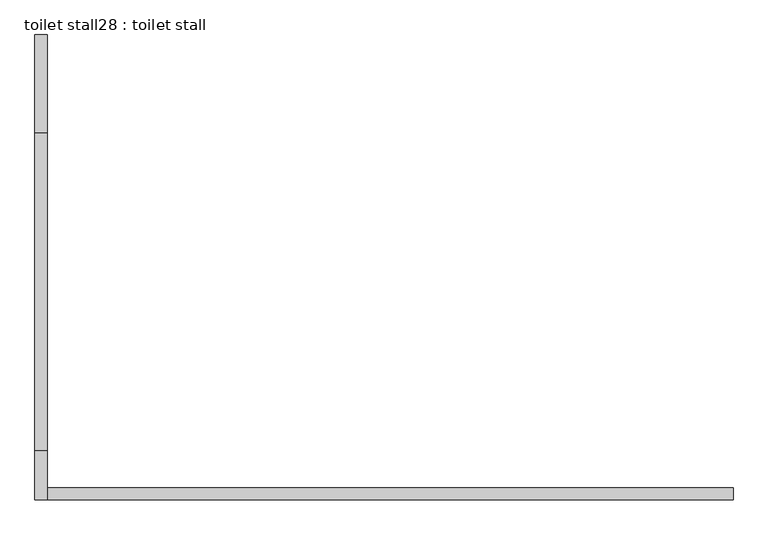
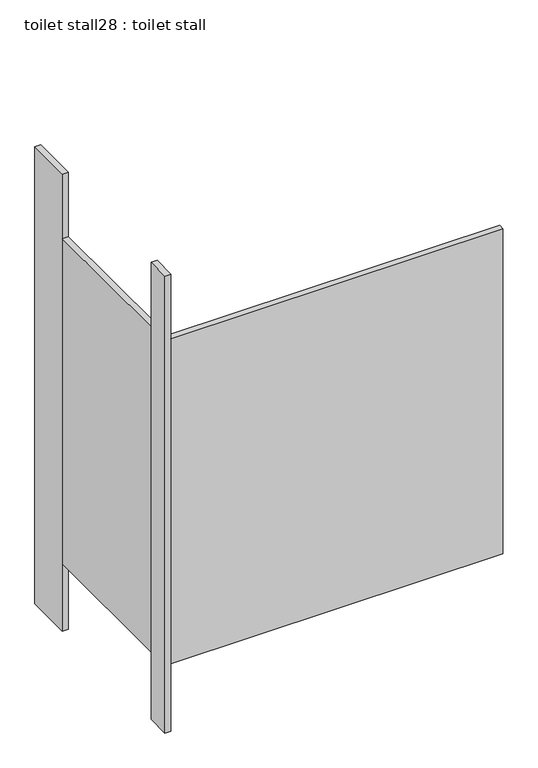
"""IFC4 building model written with IfcOpenShell, lengths in millimetres: proxy geometry, toilet stall28 : toilet stall."""

import ifcopenshell
import ifcopenshell.guid

model = None  # the IFC model being written
_history = None  # IfcOwnerHistory: only IFC2X3 demands one
_inside = {}  # id of a spatial element -> (the spatial element, [elements in it])
_under = {}  # id of a project, library or spatial element -> (it, [spatial elements below it])
_declared = {}  # id of a project -> (the project, [libraries it declares])
_typed = {}  # id of a type object -> (the type object, [elements of that type])
_made_of = {}  # id of a material, layer set ... -> (it, [elements and type objects made of it])


def new_model(schema):
    """Start an empty IFC model of exactly this schema.

    Asked for "IFC4X3", IfcOpenShell would pick the latest addendum, in which some entities
    have other attributes; the version numbers below select the first issue.
    IFC2X3 requires an IfcOwnerHistory on every rooted entity: one is made here for all.
    """
    global model, _history
    if schema == "IFC4X3":
        model = ifcopenshell.file(schema_version=(4, 3, 0, 0))
    else:
        model = ifcopenshell.file(schema=schema)
    _inside.clear()
    _under.clear()
    _declared.clear()
    _typed.clear()
    _made_of.clear()
    _history = None
    if model.schema == "IFC2X3":
        org = make("IfcOrganization", Name="unknown")
        user = make(
            "IfcPersonAndOrganization",
            ThePerson=make("IfcPerson", FamilyName="unknown"),
            TheOrganization=org,
        )
        app = make(
            "IfcApplication",
            ApplicationDeveloper=org,
            Version="unknown",
            ApplicationFullName="unknown",
            ApplicationIdentifier="unknown",
        )
        _history = make(
            "IfcOwnerHistory",
            OwningUser=user,
            OwningApplication=app,
            ChangeAction="ADDED",
            CreationDate=0,
        )
    return model


def make(cls, **values):
    """One entity of the class cls with the attributes given. An attribute that is None is left unset."""
    return model.create_entity(
        cls, **{name: value for name, value in values.items() if value is not None}
    )


def rooted(cls, **values):
    """An entity with a GlobalId (a new one), such as an element, a storey or a relation."""
    return make(cls, GlobalId=ifcopenshell.guid.new(), OwnerHistory=_history, **values)


def si_unit(unit_type, name, prefix=None):
    """IfcSIUnit, for example si_unit("LENGTHUNIT", "METRE", prefix="MILLI")."""
    return make("IfcSIUnit", UnitType=unit_type, Prefix=prefix, Name=name)


def assignment(units):
    """IfcUnitAssignment: the units of a project."""
    return None if units is None else make("IfcUnitAssignment", Units=units)


def point(xyz):
    """IfcCartesianPoint."""
    return None if xyz is None else make("IfcCartesianPoint", Coordinates=xyz)


def direction(xyz):
    """IfcDirection."""
    return None if xyz is None else make("IfcDirection", DirectionRatios=xyz)


def frame(location, z_axis=None, x_axis=None):
    """IfcAxis2Placement3D, a coordinate frame: its origin and axes. An axis left out is left unset."""
    return make(
        "IfcAxis2Placement3D",
        Location=point(location),
        Axis=direction(z_axis),
        RefDirection=direction(x_axis),
    )


def origin():
    """The frame at (0, 0, 0) with its axes left unset."""
    return frame((0.0, 0.0, 0.0))


def origin_with_axes():
    """The frame at (0, 0, 0) with the z axis (0, 0, 1) and the x axis (1, 0, 0) written out."""
    return frame((0.0, 0.0, 0.0), z_axis=(0.0, 0.0, 1.0), x_axis=(1.0, 0.0, 0.0))


def place(relative_to, where):
    """IfcLocalPlacement: puts the frame where relative to a parent placement (None: the world)."""
    return make(
        "IfcLocalPlacement", PlacementRelTo=relative_to, RelativePlacement=where
    )


def context(
    kind, dimensions, precision=None, world=None, true_north=None, identifier=None
):
    """IfcGeometricRepresentationContext, for example the 3D "Model" context."""
    return make(
        "IfcGeometricRepresentationContext",
        ContextIdentifier=identifier,
        ContextType=kind,
        CoordinateSpaceDimension=dimensions,
        Precision=precision,
        WorldCoordinateSystem=world,
        TrueNorth=true_north,
    )


def project(units=None, contexts=None):
    """IfcProject with its units and contexts."""
    return rooted(
        "IfcProject",
        Name="project",
        RepresentationContexts=contexts,
        UnitsInContext=assignment(units),
    )


def spatial(cls, under=None, at=None, **own):
    """A site, building, storey or space (cls), placed at a placement, below another one or the project."""
    s = rooted(cls, ObjectPlacement=at, **own)
    if under is not None:
        _under.setdefault(under.id(), (under, []))[1].append(s)
    return s


def polyline(points):
    """IfcPolyline through the points."""
    return make("IfcPolyline", Points=[point(p) for p in points])


def outline(outer, holes=None, kind="AREA"):
    """IfcArbitraryClosedProfileDef: a profile drawn as a closed curve; with holes, ...WithVoids."""
    if holes is None:
        return make("IfcArbitraryClosedProfileDef", ProfileType=kind, OuterCurve=outer)
    return make(
        "IfcArbitraryProfileDefWithVoids",
        ProfileType=kind,
        OuterCurve=outer,
        InnerCurves=holes,
    )


def extrude(swept, where, along, depth):
    """IfcExtrudedAreaSolid: the profile swept, set in the frame where, extruded along a direction by depth."""
    return make(
        "IfcExtrudedAreaSolid",
        SweptArea=swept,
        Position=where,
        ExtrudedDirection=direction(along),
        Depth=depth,
    )


def shape(context_of_items, identifier, shape_type, items):
    """IfcShapeRepresentation: the items that make up one representation, for example the "Body"."""
    return make(
        "IfcShapeRepresentation",
        ContextOfItems=context_of_items,
        RepresentationIdentifier=identifier,
        RepresentationType=shape_type,
        Items=items,
    )


def source(mapping_origin, context_of_items, identifier, shape_type, items):
    """IfcRepresentationMap: a shape defined once, which mapped items show again and again."""
    return make(
        "IfcRepresentationMap",
        MappingOrigin=mapping_origin,
        MappedRepresentation=shape(context_of_items, identifier, shape_type, items),
    )


def transform(
    local_origin,
    x_axis=None,
    y_axis=None,
    z_axis=None,
    scale=None,
    scale2=None,
    scale3=None,
    uniform=True,
):
    """IfcCartesianTransformationOperator3D, or its non-uniform kind. x_axis, y_axis, z_axis: its Axis1, 2, 3."""
    if uniform:
        return make(
            "IfcCartesianTransformationOperator3D",
            Axis1=direction(x_axis),
            Axis2=direction(y_axis),
            LocalOrigin=point(local_origin),
            Scale=scale,
            Axis3=direction(z_axis),
        )
    return make(
        "IfcCartesianTransformationOperator3DnonUniform",
        Axis1=direction(x_axis),
        Axis2=direction(y_axis),
        LocalOrigin=point(local_origin),
        Scale=scale,
        Axis3=direction(z_axis),
        Scale2=scale2,
        Scale3=scale3,
    )


def mapped(mapping_source, mapping_target):
    """IfcMappedItem: shows the shape of a source again, moved by a transform."""
    return make(
        "IfcMappedItem", MappingSource=mapping_source, MappingTarget=mapping_target
    )


def made_of(thing, what):
    """Note that an element or type object is made of a material, layer set ...; save() writes the relation."""
    if what is not None:
        _made_of.setdefault(what.id(), (what, []))[1].append(thing)
    return thing


def element(
    cls,
    number,
    at=None,
    inside=None,
    cuts=None,
    type_object=None,
    material=None,
    context=None,
    identifier="Body",
    shape_type=None,
    held_by="IfcProductDefinitionShape",
    body=None,
    shapes=None,
    **own,
):
    """One element of the class cls, such as IfcWall. Its Tag is "e" and its number.

    at: its placement. inside: the storey or other place that contains it. cuts: it is an
    opening in that element (IfcRelVoidsElement). A single representation is given by context,
    identifier, shape_type and body (its items); several are given by shapes. held_by: the class
    of the entity that holds the representations. save() writes the other relations.
    """
    e = rooted(cls, Tag="e%d" % number, ObjectPlacement=at, **own)
    if body is not None:
        shapes = [shape(context, identifier, shape_type, body)]
    if shapes is not None:
        e.Representation = make(held_by, Representations=shapes)
    if inside is not None:
        _inside.setdefault(inside.id(), (inside, []))[1].append(e)
    if cuts is not None:
        rooted(
            "IfcRelVoidsElement", RelatingBuildingElement=cuts, RelatedOpeningElement=e
        )
    if type_object is not None:
        _typed.setdefault(type_object.id(), (type_object, []))[1].append(e)
    return made_of(e, material)


def aggregate(whole, parts):
    """IfcRelAggregates: a whole, such as a stair, and the parts it consists of."""
    return rooted("IfcRelAggregates", RelatingObject=whole, RelatedObjects=parts)


def save(model, path):
    """Write the relations noted so far, then the file.

    IfcRelAggregates (storeys below a building ...), IfcRelContainedInSpatialStructure (elements
    in a storey), IfcRelDefinesByType, IfcRelAssociatesMaterial and IfcRelDeclares: one each for
    every whole, place, type object, material and project.
    """
    for whole, parts in _under.values():
        aggregate(whole, parts)
    for where, things in _inside.values():
        rooted(
            "IfcRelContainedInSpatialStructure",
            RelatedElements=things,
            RelatingStructure=where,
        )
    for kind, things in _typed.values():
        rooted("IfcRelDefinesByType", RelatedObjects=things, RelatingType=kind)
    for what, things in _made_of.values():
        rooted("IfcRelAssociatesMaterial", RelatedObjects=things, RelatingMaterial=what)
    for by, libraries in _declared.values():
        rooted("IfcRelDeclares", RelatingContext=by, RelatedDefinitions=libraries)
    model.write(path)


def toilet_stall28_toilet_stall_abdaf319(model_context):
    return source(origin(), model_context, "Body", "SweptSolid", [
        extrude(outline(polyline([(454658.2004676, -350525.5705223), (454632.8004676, -350525.5705223), (454632.8004676, -350322.3705223), (454658.2004676, -350322.3705223), (454658.2004676, -350525.5705223)])), origin_with_axes(), (0.0, 0.0, 1.0), 2070.1),
        extrude(outline(polyline([(454658.2004676, -351287.5705223), (454632.8004676, -351287.5705223), (454632.8004676, -351185.9705223), (454658.2004676, -351185.9705223), (454658.2004676, -351287.5705223)])), origin_with_axes(), (0.0, 0.0, 1.0), 2070.1),
        extrude(outline(polyline([(454658.2004676, -351287.5705223), (454658.2004676, -351262.1705223), (456080.6004676, -351262.1705223), (456080.6004676, -351287.5705223), (454658.2004676, -351287.5705223)])), frame((0.0, 0.0, 304.8), z_axis=(0.0, 0.0, 1.0), x_axis=(1.0, 0.0, 0.0)), (0.0, 0.0, 1.0), 1473.2),
        extrude(outline(polyline([(454658.2004676, -351185.9705223), (454632.8004676, -351185.9705223), (454632.8004676, -350525.5705223), (454658.2004676, -350525.5705223), (454658.2004676, -351185.9705223)])), frame((0.0, 0.0, 304.8), z_axis=(0.0, 0.0, 1.0), x_axis=(1.0, 0.0, 0.0)), (0.0, 0.0, 1.0), 1473.2),
    ])


if __name__ == "__main__":
    model = new_model("IFC4")
    model_context = context("Model", 3, world=origin())
    ifc_project = project(units=[si_unit("LENGTHUNIT", "METRE", prefix="MILLI")], contexts=[model_context])
    site = spatial("IfcSite", under=ifc_project)
    building = spatial("IfcBuilding", under=site)
    placement = place(None, origin())
    toilet_stall28_toilet_stall_shape = toilet_stall28_toilet_stall_abdaf319(model_context)
    element("IfcBuildingElementProxy", 1, Name="toilet stall28 : toilet stall", ObjectType="toilet stall28 : toilet stall", at=placement, inside=building, context=model_context, shape_type="MappedRepresentation", body=[
        mapped(toilet_stall28_toilet_stall_shape, transform((0.0, 0.0, 0.0), x_axis=(1.0, 0.0, 0.0), y_axis=(0.0, 1.0, 0.0), z_axis=(0.0, 0.0, 1.0))),
    ])
    save(model, "model.ifc")
